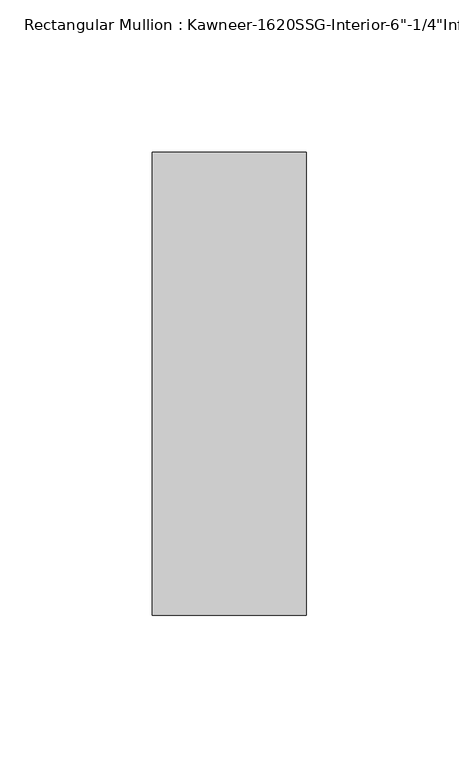
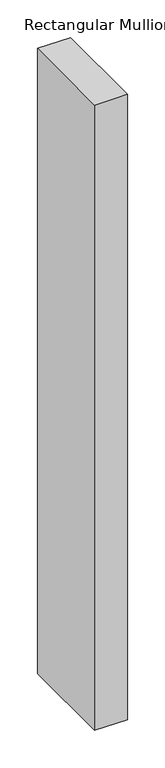
"""IFC4 building model written with IfcOpenShell, lengths in millimetres: member geometry."""

import ifcopenshell
import ifcopenshell.guid

model = None  # the IFC model being written
_history = None  # IfcOwnerHistory: only IFC2X3 demands one
_inside = {}  # id of a spatial element -> (the spatial element, [elements in it])
_under = {}  # id of a project, library or spatial element -> (it, [spatial elements below it])
_declared = {}  # id of a project -> (the project, [libraries it declares])
_typed = {}  # id of a type object -> (the type object, [elements of that type])
_made_of = {}  # id of a material, layer set ... -> (it, [elements and type objects made of it])


def new_model(schema):
    """Start an empty IFC model of exactly this schema.

    Asked for "IFC4X3", IfcOpenShell would pick the latest addendum, in which some entities
    have other attributes; the version numbers below select the first issue.
    IFC2X3 requires an IfcOwnerHistory on every rooted entity: one is made here for all.
    """
    global model, _history
    if schema == "IFC4X3":
        model = ifcopenshell.file(schema_version=(4, 3, 0, 0))
    else:
        model = ifcopenshell.file(schema=schema)
    _inside.clear()
    _under.clear()
    _declared.clear()
    _typed.clear()
    _made_of.clear()
    _history = None
    if model.schema == "IFC2X3":
        org = make("IfcOrganization", Name="unknown")
        user = make(
            "IfcPersonAndOrganization",
            ThePerson=make("IfcPerson", FamilyName="unknown"),
            TheOrganization=org,
        )
        app = make(
            "IfcApplication",
            ApplicationDeveloper=org,
            Version="unknown",
            ApplicationFullName="unknown",
            ApplicationIdentifier="unknown",
        )
        _history = make(
            "IfcOwnerHistory",
            OwningUser=user,
            OwningApplication=app,
            ChangeAction="ADDED",
            CreationDate=0,
        )
    return model


def make(cls, **values):
    """One entity of the class cls with the attributes given. An attribute that is None is left unset."""
    return model.create_entity(
        cls, **{name: value for name, value in values.items() if value is not None}
    )


def rooted(cls, **values):
    """An entity with a GlobalId (a new one), such as an element, a storey or a relation."""
    return make(cls, GlobalId=ifcopenshell.guid.new(), OwnerHistory=_history, **values)


def si_unit(unit_type, name, prefix=None):
    """IfcSIUnit, for example si_unit("LENGTHUNIT", "METRE", prefix="MILLI")."""
    return make("IfcSIUnit", UnitType=unit_type, Prefix=prefix, Name=name)


def assignment(units):
    """IfcUnitAssignment: the units of a project."""
    return None if units is None else make("IfcUnitAssignment", Units=units)


def point(xyz):
    """IfcCartesianPoint."""
    return None if xyz is None else make("IfcCartesianPoint", Coordinates=xyz)


def direction(xyz):
    """IfcDirection."""
    return None if xyz is None else make("IfcDirection", DirectionRatios=xyz)


def frame(location, z_axis=None, x_axis=None):
    """IfcAxis2Placement3D, a coordinate frame: its origin and axes. An axis left out is left unset."""
    return make(
        "IfcAxis2Placement3D",
        Location=point(location),
        Axis=direction(z_axis),
        RefDirection=direction(x_axis),
    )


def origin():
    """The frame at (0, 0, 0) with its axes left unset."""
    return frame((0.0, 0.0, 0.0))


def place(relative_to, where):
    """IfcLocalPlacement: puts the frame where relative to a parent placement (None: the world)."""
    return make(
        "IfcLocalPlacement", PlacementRelTo=relative_to, RelativePlacement=where
    )


def context(
    kind, dimensions, precision=None, world=None, true_north=None, identifier=None
):
    """IfcGeometricRepresentationContext, for example the 3D "Model" context."""
    return make(
        "IfcGeometricRepresentationContext",
        ContextIdentifier=identifier,
        ContextType=kind,
        CoordinateSpaceDimension=dimensions,
        Precision=precision,
        WorldCoordinateSystem=world,
        TrueNorth=true_north,
    )


def project(units=None, contexts=None):
    """IfcProject with its units and contexts."""
    return rooted(
        "IfcProject",
        Name="project",
        RepresentationContexts=contexts,
        UnitsInContext=assignment(units),
    )


def spatial(cls, under=None, at=None, **own):
    """A site, building, storey or space (cls), placed at a placement, below another one or the project."""
    s = rooted(cls, ObjectPlacement=at, **own)
    if under is not None:
        _under.setdefault(under.id(), (under, []))[1].append(s)
    return s


def polyline(points):
    """IfcPolyline through the points."""
    return make("IfcPolyline", Points=[point(p) for p in points])


def outline(outer, holes=None, kind="AREA"):
    """IfcArbitraryClosedProfileDef: a profile drawn as a closed curve; with holes, ...WithVoids."""
    if holes is None:
        return make("IfcArbitraryClosedProfileDef", ProfileType=kind, OuterCurve=outer)
    return make(
        "IfcArbitraryProfileDefWithVoids",
        ProfileType=kind,
        OuterCurve=outer,
        InnerCurves=holes,
    )


def extrude(swept, where, along, depth):
    """IfcExtrudedAreaSolid: the profile swept, set in the frame where, extruded along a direction by depth."""
    return make(
        "IfcExtrudedAreaSolid",
        SweptArea=swept,
        Position=where,
        ExtrudedDirection=direction(along),
        Depth=depth,
    )


def shape(context_of_items, identifier, shape_type, items):
    """IfcShapeRepresentation: the items that make up one representation, for example the "Body"."""
    return make(
        "IfcShapeRepresentation",
        ContextOfItems=context_of_items,
        RepresentationIdentifier=identifier,
        RepresentationType=shape_type,
        Items=items,
    )


def source(mapping_origin, context_of_items, identifier, shape_type, items):
    """IfcRepresentationMap: a shape defined once, which mapped items show again and again."""
    return make(
        "IfcRepresentationMap",
        MappingOrigin=mapping_origin,
        MappedRepresentation=shape(context_of_items, identifier, shape_type, items),
    )


def transform(
    local_origin,
    x_axis=None,
    y_axis=None,
    z_axis=None,
    scale=None,
    scale2=None,
    scale3=None,
    uniform=True,
):
    """IfcCartesianTransformationOperator3D, or its non-uniform kind. x_axis, y_axis, z_axis: its Axis1, 2, 3."""
    if uniform:
        return make(
            "IfcCartesianTransformationOperator3D",
            Axis1=direction(x_axis),
            Axis2=direction(y_axis),
            LocalOrigin=point(local_origin),
            Scale=scale,
            Axis3=direction(z_axis),
        )
    return make(
        "IfcCartesianTransformationOperator3DnonUniform",
        Axis1=direction(x_axis),
        Axis2=direction(y_axis),
        LocalOrigin=point(local_origin),
        Scale=scale,
        Axis3=direction(z_axis),
        Scale2=scale2,
        Scale3=scale3,
    )


def mapped(mapping_source, mapping_target):
    """IfcMappedItem: shows the shape of a source again, moved by a transform."""
    return make(
        "IfcMappedItem", MappingSource=mapping_source, MappingTarget=mapping_target
    )


def made_of(thing, what):
    """Note that an element or type object is made of a material, layer set ...; save() writes the relation."""
    if what is not None:
        _made_of.setdefault(what.id(), (what, []))[1].append(thing)
    return thing


def element(
    cls,
    number,
    at=None,
    inside=None,
    cuts=None,
    type_object=None,
    material=None,
    context=None,
    identifier="Body",
    shape_type=None,
    held_by="IfcProductDefinitionShape",
    body=None,
    shapes=None,
    **own,
):
    """One element of the class cls, such as IfcWall. Its Tag is "e" and its number.

    at: its placement. inside: the storey or other place that contains it. cuts: it is an
    opening in that element (IfcRelVoidsElement). A single representation is given by context,
    identifier, shape_type and body (its items); several are given by shapes. held_by: the class
    of the entity that holds the representations. save() writes the other relations.
    """
    e = rooted(cls, Tag="e%d" % number, ObjectPlacement=at, **own)
    if body is not None:
        shapes = [shape(context, identifier, shape_type, body)]
    if shapes is not None:
        e.Representation = make(held_by, Representations=shapes)
    if inside is not None:
        _inside.setdefault(inside.id(), (inside, []))[1].append(e)
    if cuts is not None:
        rooted(
            "IfcRelVoidsElement", RelatingBuildingElement=cuts, RelatedOpeningElement=e
        )
    if type_object is not None:
        _typed.setdefault(type_object.id(), (type_object, []))[1].append(e)
    return made_of(e, material)


def aggregate(whole, parts):
    """IfcRelAggregates: a whole, such as a stair, and the parts it consists of."""
    return rooted("IfcRelAggregates", RelatingObject=whole, RelatedObjects=parts)


def save(model, path):
    """Write the relations noted so far, then the file.

    IfcRelAggregates (storeys below a building ...), IfcRelContainedInSpatialStructure (elements
    in a storey), IfcRelDefinesByType, IfcRelAssociatesMaterial and IfcRelDeclares: one each for
    every whole, place, type object, material and project.
    """
    for whole, parts in _under.values():
        aggregate(whole, parts)
    for where, things in _inside.values():
        rooted(
            "IfcRelContainedInSpatialStructure",
            RelatedElements=things,
            RelatingStructure=where,
        )
    for kind, things in _typed.values():
        rooted("IfcRelDefinesByType", RelatedObjects=things, RelatingType=kind)
    for what, things in _made_of.values():
        rooted("IfcRelAssociatesMaterial", RelatedObjects=things, RelatingMaterial=what)
    for by, libraries in _declared.values():
        rooted("IfcRelDeclares", RelatingContext=by, RelatedDefinitions=libraries)
    model.write(path)


def member_04878568(model_context):
    return source(origin(), model_context, "Body", "SweptSolid", [
        extrude(outline(polyline([(25.4, -123.825), (-25.4, -123.825), (-25.4, 28.575), (25.4, 28.575), (25.4, -123.825)])), frame((0.0, 0.0, -1016.0), z_axis=(0.0, 0.0, 1.0), x_axis=(1.0, 0.0, 0.0)), (0.0, 0.0, 1.0), 1016.0),
    ])


if __name__ == "__main__":
    model = new_model("IFC4")
    model_context = context("Model", 3, world=origin())
    ifc_project = project(units=[si_unit("LENGTHUNIT", "METRE", prefix="MILLI")], contexts=[model_context])
    site = spatial("IfcSite", under=ifc_project)
    building = spatial("IfcBuilding", under=site)
    placement = place(None, origin())
    member_shape = member_04878568(model_context)
    element("IfcMember", 1, ObjectType="Rectangular Mullion : Kawneer-1620SSG-Interior-6\"-1/4\"Infill", at=placement, inside=building, context=model_context, shape_type="MappedRepresentation", body=[
        mapped(member_shape, transform((0.0, 0.0, 0.0), x_axis=(1.0, 0.0, 0.0), y_axis=(0.0, 1.0, 0.0), z_axis=(0.0, 0.0, 1.0))),
    ])
    save(model, "model.ifc")
